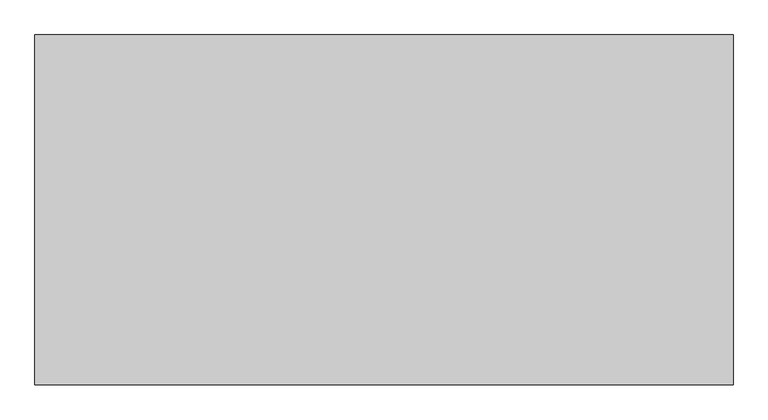
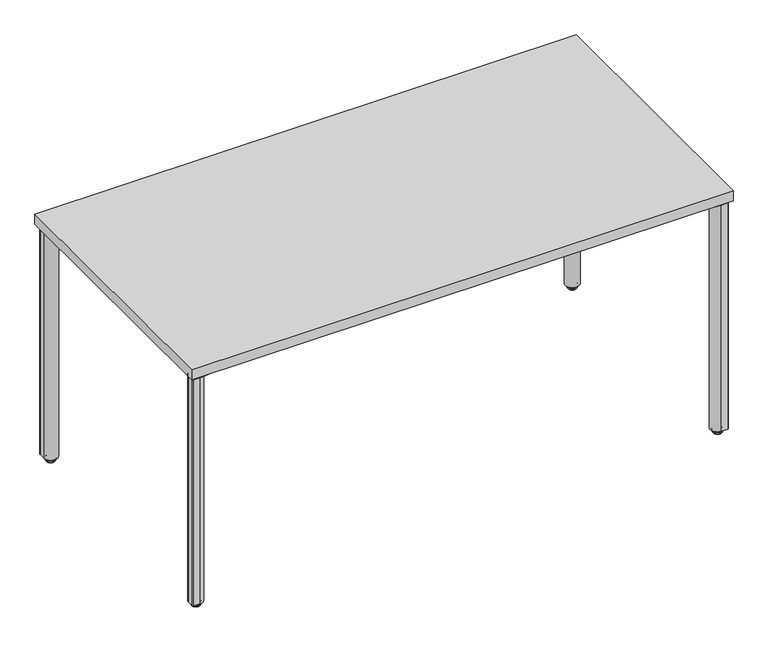
"""IFC4 building model written with IfcOpenShell, lengths in millimetres: furniture geometry."""

from ifc_helpers import new_model, si_unit, point, frame, frame_2d, origin, place, context, project, spatial, polyline, circle_curve, ellipse_curve, trimmed, segment, composite_curve, outline, extrude, source, transform, mapped, element, save
from ifc_brep_helpers import plane_surface, cylinder_surface, revolved_surface, advanced_brep


def furniture_ea995bb6(model_context):
    return source(origin(), model_context, "Body", "SolidModel", [
        extrude(outline(composite_curve([segment(polyline([(1491.9282419, -754.7591905), (1416.5488309, -748.1643464)]), True, "CONTINUOUS"), segment(trimmed(circle_curve(frame_2d((1418.7277263, -723.2594586)), 25.0000204), [point((1416.5488309, -748.1643464))], [point((1401.0500399, -740.9371401))], False, "CARTESIAN"), True, "CONTINUOUS"), segment(polyline([(1401.0500399, -740.9371401), (1385.0744349, -724.9615305)]), True, "CONTINUOUS"), segment(trimmed(circle_curve(frame_2d((1402.7520997, -707.2838707)), 24.9999898), [point((1385.0744349, -724.9615305))], [point((1377.8472426, -709.4627657))], False, "CARTESIAN"), True, "CONTINUOUS"), segment(polyline([(1377.8472426, -709.4627657), (1371.3313511, -634.9858634)]), True, "CONTINUOUS"), segment(trimmed(circle_curve(frame_2d((1393.8108747, -634.9858634)), 22.4795236), [point((1371.3313511, -634.9858634))], [point((1393.8108747, -612.5063398))], False, "CARTESIAN"), True, "CONTINUOUS"), segment(polyline([(1393.8108747, -612.5063398), (1468.2877788, -619.0222314)]), True, "CONTINUOUS"), segment(trimmed(circle_curve(frame_2d((1466.1088843, -643.9270836)), 24.9999849), [point((1468.2877788, -619.0222314))], [point((1483.7865419, -626.2494235))], False, "CARTESIAN"), True, "CONTINUOUS"), segment(polyline([(1483.7865419, -626.2494235), (1499.7621588, -642.2250381)]), True, "CONTINUOUS"), segment(trimmed(circle_curve(frame_2d((1482.0844922, -659.9027072)), 24.9999976), [point((1499.7621588, -642.2250381))], [point((1506.9893573, -657.723814))], False, "CARTESIAN"), True, "CONTINUOUS"), segment(polyline([(1506.9893573, -657.723814), (1513.5842007, -733.1032242), (1513.5842007, -751.7591908)]), True, "CONTINUOUS"), segment(trimmed(circle_curve(frame_2d((1510.584201, -751.7591908)), 2.9999997), [point((1513.5842007, -751.7591908))], [point((1510.584201, -754.7591905))], False, "CARTESIAN"), True, "CONTINUOUS"), segment(polyline([(1510.584201, -754.7591905), (1491.9282419, -754.7591905)]), True, "CONTINUOUS")], self_intersect=False)), frame((0.0, 0.0, 686.384201), z_axis=(0.0, 0.0, 1.0), x_axis=(1.0, 0.0, 0.0)), (0.0, 0.0, 1.0), 7.9248),
        advanced_brep(
        [(1492.8342, -730.0130981, 14.6833482), (1492.8342, -738.0053019, 14.6833482), (1492.8342, -734.0092, 14.6833482), (1492.8342, -730.0130981, 12.9644666), (1492.8342, -738.0053019, 12.9644666), (1492.8342, -722.048784, 11.5824174), (1492.8342, -745.969616, 11.5824174), (1492.8342, -721.5277894, 2.659626), (1492.8342, -746.4906106, 2.659626), (1492.8342, -748.2548023, 6.9187598), (1492.8342, -719.7635977, 6.9187598), (1492.8342, -734.0092, 0.0), (1492.8342, -742.6922711, 0.0), (1492.8342, -725.3261289, 0.0)],
        [
            (0, 1, circle_curve(frame((1492.8342, -734.0092, 14.6833482), z_axis=(0.0, 0.0, 1.0), x_axis=(0.0, -1.0, 0.0)), 3.9961019)),
            (1, 2),
            (2, 0),
            (1, 0, circle_curve(frame((1492.8342, -734.0092, 14.6833482), z_axis=(0.0, 0.0, 1.0), x_axis=(0.0, -1.0, 0.0)), 3.9961019)),
            (3, 4, circle_curve(frame((1492.8342, -734.0092, 12.9644666), z_axis=(0.0, 0.0, 1.0), x_axis=(0.0, -1.0, 0.0)), 3.9961019)),
            (4, 1),
            (0, 3),
            (4, 3, circle_curve(frame((1492.8342, -734.0092, 12.9644666), z_axis=(0.0, 0.0, 1.0), x_axis=(0.0, -1.0, 0.0)), 3.9961019)),
            (5, 6, circle_curve(frame((1492.8342, -734.0092, 11.5824174), z_axis=(0.0, 0.0, 1.0), x_axis=(0.0, -1.0, 0.0)), 11.960416)),
            (6, 4),
            (3, 5),
            (6, 5, circle_curve(frame((1492.8342, -734.0092, 11.5824174), z_axis=(0.0, 0.0, 1.0), x_axis=(0.0, -1.0, 0.0)), 11.960416)),
            (7, 8, circle_curve(frame((1492.8342, -734.0092, 2.659626), z_axis=(0.0, 0.0, 1.0), x_axis=(0.0, -1.0, 0.0)), 12.4814106)),
            (8, 9),
            (9, 10, circle_curve(frame((1492.8342, -734.0092, 6.9187598), z_axis=(0.0, 0.0, -1.0), x_axis=(0.0, -1.0, 0.0)), 14.2456023)),
            (10, 7),
            (8, 7, circle_curve(frame((1492.8342, -734.0092, 2.659626), z_axis=(0.0, 0.0, 1.0), x_axis=(0.0, -1.0, 0.0)), 12.4814106)),
            (10, 9, circle_curve(frame((1492.8342, -734.0092, 6.9187598), z_axis=(0.0, 0.0, -1.0), x_axis=(0.0, -1.0, 0.0)), 14.2456023)),
            (11, 12),
            (12, 13, circle_curve(frame((1492.8342, -734.0092, 0.0), z_axis=(0.0, 0.0, -1.0), x_axis=(0.0, -1.0, 0.0)), 8.6830711)),
            (13, 11),
            (13, 12, circle_curve(frame((1492.8342, -734.0092, 0.0), z_axis=(0.0, 0.0, -1.0), x_axis=(0.0, -1.0, 0.0)), 8.6830711)),
            (9, 6, circle_curve(frame((1492.8342, -745.056773, 8.2434275), z_axis=(-1.0, 0.0, 0.0), x_axis=(0.0, -1.0, 0.0)), 3.4615222)),
            (5, 10, circle_curve(frame((1492.8342, -722.961627, 8.2434275), z_axis=(-1.0, 0.0, 0.0), x_axis=(0.0, 1.0, 0.0)), 3.4615222)),
            (12, 8, circle_curve(frame((1492.8342, -742.5040518, 4.3109134), z_axis=(-1.0, 0.0, 0.0), x_axis=(0.0, -1.0, 0.0)), 4.3150204)),
            (7, 13, circle_curve(frame((1492.8342, -725.5143482, 4.3109134), z_axis=(-1.0, 0.0, 0.0), x_axis=(0.0, 1.0, 0.0)), 4.3150204)),
        ],
        [
            plane_surface(frame((1492.8342, -734.0092, 14.6833482), z_axis=(0.0, 0.0, 1.0), x_axis=(0.0, -1.0, 0.0))),
            cylinder_surface(frame((1492.8342, -734.0092, 2438.4), z_axis=(0.0, 0.0, -1.0), x_axis=(0.0, -1.0, 0.0)), 3.9961019),
            revolved_surface(polyline([(1492.8342, -738.0053019, 12.9644666), (1492.8342, -745.969616, 11.5824174)]), (1492.8342, -734.0092, 2438.4), (0.0, 0.0, -1.0)),
            revolved_surface(polyline([(1492.8342, -748.2548023, 6.9187598), (1492.8342, -746.4906106, 2.659626)]), (1492.8342, -734.0092, 2438.4), (0.0, 0.0, -1.0)),
            plane_surface(frame((1492.8342, -734.0092, 0.0), z_axis=(0.0, 0.0, -1.0), x_axis=(0.0, -1.0, 0.0))),
            revolved_surface(trimmed(ellipse_curve(frame((1492.8342, -745.056773, 8.2434275), z_axis=(1.0, 0.0, 0.0), x_axis=(0.0, -1.0, 0.0)), 3.4615222, 3.4615222), [point((1492.8342, -745.969616, 11.5824174))], [point((1492.8342, -748.2548023, 6.9187598))], True, "CARTESIAN"), (1492.8342, -734.0092, 2438.4), (0.0, 0.0, -1.0)),
            revolved_surface(trimmed(ellipse_curve(frame((1492.8342, -742.5040518, 4.3109134), z_axis=(1.0, 0.0, 0.0), x_axis=(0.0, -1.0, 0.0)), 4.3150204, 4.3150204), [point((1492.8342, -746.4906106, 2.659626))], [point((1492.8342, -742.6922711, 0.0))], True, "CARTESIAN"), (1492.8342, -734.0092, 2438.4), (0.0, 0.0, -1.0)),
        ],
        [
            (0, [[1, 2, 3]]),
            (0, [[4, -3, -2]]),
            (1, [[5, 6, -1, 7]]),
            (1, [[8, -7, -4, -6]]),
            (2, [[9, 10, -5, 11]]),
            (2, [[12, -11, -8, -10]]),
            (3, [[13, 14, 15, 16]]),
            (3, [[17, -16, 18, -14]]),
            (4, [[19, 20, 21]]),
            (4, [[-21, 22, -19]]),
            (5, [[-15, 23, -9, 24]]),
            (5, [[-18, -24, -12, -23]]),
            (6, [[-20, 25, -13, 26]]),
            (6, [[-22, -26, -17, -25]]),
        ],
    ),
        extrude(outline(composite_curve([segment(trimmed(circle_curve(frame_2d((1492.8389509, -734.0139401)), 19.9952502), [point((1492.8389509, -754.0091903))], [point((1512.8342011, -734.0139401))], False, "CARTESIAN"), True, "CONTINUOUS"), segment(polyline([(1512.8342011, -734.0139401), (1512.8342011, -751.0089752)]), True, "CONTINUOUS"), segment(trimmed(circle_curve(frame_2d((1509.833986, -751.0089752)), 3.000215), [point((1512.8342011, -751.0089752))], [point((1509.833986, -754.0091903))], False, "CARTESIAN"), True, "CONTINUOUS"), segment(polyline([(1509.833986, -754.0091903), (1492.8389509, -754.0091903)]), True, "CONTINUOUS")], self_intersect=False)), frame((0.0, 0.0, 14.6833482), z_axis=(0.0, 0.0, 1.0), x_axis=(1.0, 0.0, 0.0)), (0.0, 0.0, 1.0), 671.7008528),
        extrude(outline(composite_curve([segment(polyline([(28.8967581, -754.7591905), (10.240799, -754.7591905)]), True, "CONTINUOUS"), segment(trimmed(circle_curve(frame_2d((10.240799, -751.7591908)), 2.9999997), [point((10.240799, -754.7591905))], [point((7.2407993, -751.7591908))], False, "CARTESIAN"), True, "CONTINUOUS"), segment(polyline([(7.2407993, -751.7591908), (7.2407993, -733.1032242), (13.8356427, -657.723814)]), True, "CONTINUOUS"), segment(trimmed(circle_curve(frame_2d((38.7405078, -659.9027072)), 24.9999976), [point((13.8356427, -657.723814))], [point((21.0628412, -642.2250381))], False, "CARTESIAN"), True, "CONTINUOUS"), segment(polyline([(21.0628412, -642.2250381), (37.0384581, -626.2494235)]), True, "CONTINUOUS"), segment(trimmed(circle_curve(frame_2d((54.7161157, -643.9270836)), 24.9999849), [point((37.0384581, -626.2494235))], [point((52.5372212, -619.0222314))], False, "CARTESIAN"), True, "CONTINUOUS"), segment(polyline([(52.5372212, -619.0222314), (127.0141253, -612.5063398)]), True, "CONTINUOUS"), segment(trimmed(circle_curve(frame_2d((127.0141253, -634.9858634)), 22.4795236), [point((127.0141253, -612.5063398))], [point((149.4936489, -634.9858634))], False, "CARTESIAN"), True, "CONTINUOUS"), segment(polyline([(149.4936489, -634.9858634), (142.9777574, -709.4627657)]), True, "CONTINUOUS"), segment(trimmed(circle_curve(frame_2d((118.0729003, -707.2838707)), 24.9999898), [point((142.9777574, -709.4627657))], [point((135.7505651, -724.9615305))], False, "CARTESIAN"), True, "CONTINUOUS"), segment(polyline([(135.7505651, -724.9615305), (119.7749601, -740.9371401)]), True, "CONTINUOUS"), segment(trimmed(circle_curve(frame_2d((102.0972737, -723.2594586)), 25.0000204), [point((119.7749601, -740.9371401))], [point((104.2761691, -748.1643464))], False, "CARTESIAN"), True, "CONTINUOUS"), segment(polyline([(104.2761691, -748.1643464), (28.8967581, -754.7591905)]), True, "CONTINUOUS")], self_intersect=False)), frame((0.0, 0.0, 686.384201), z_axis=(0.0, 0.0, 1.0), x_axis=(1.0, 0.0, 0.0)), (0.0, 0.0, 1.0), 7.9248),
        advanced_brep(
        [(27.9908, -730.0130981, 14.6833482), (27.9908, -734.0092, 14.6833482), (27.9908, -738.0053019, 14.6833482), (27.9908, -730.0130981, 12.9644666), (27.9908, -738.0053019, 12.9644666), (27.9908, -722.048784, 11.5824174), (27.9908, -745.969616, 11.5824174), (27.9908, -721.5277894, 2.659626), (27.9908, -719.7635977, 6.9187598), (27.9908, -748.2548023, 6.9187598), (27.9908, -746.4906106, 2.659626), (27.9908, -734.0092, 0.0), (27.9908, -725.3261289, 0.0), (27.9908, -742.6922711, 0.0)],
        [
            (0, 1),
            (1, 2),
            (2, 0, circle_curve(frame((27.9908, -734.0092, 14.6833482), z_axis=(0.0, 0.0, 1.0), x_axis=(0.0, -1.0, 0.0)), 3.9961019)),
            (0, 2, circle_curve(frame((27.9908, -734.0092, 14.6833482), z_axis=(0.0, 0.0, 1.0), x_axis=(0.0, -1.0, 0.0)), 3.9961019)),
            (3, 0),
            (2, 4),
            (4, 3, circle_curve(frame((27.9908, -734.0092, 12.9644666), z_axis=(0.0, 0.0, 1.0), x_axis=(0.0, -1.0, 0.0)), 3.9961019)),
            (3, 4, circle_curve(frame((27.9908, -734.0092, 12.9644666), z_axis=(0.0, 0.0, 1.0), x_axis=(0.0, -1.0, 0.0)), 3.9961019)),
            (5, 3),
            (4, 6),
            (6, 5, circle_curve(frame((27.9908, -734.0092, 11.5824174), z_axis=(0.0, 0.0, 1.0), x_axis=(0.0, -1.0, 0.0)), 11.960416)),
            (5, 6, circle_curve(frame((27.9908, -734.0092, 11.5824174), z_axis=(0.0, 0.0, 1.0), x_axis=(0.0, -1.0, 0.0)), 11.960416)),
            (7, 8),
            (8, 9, circle_curve(frame((27.9908, -734.0092, 6.9187598), z_axis=(0.0, 0.0, -1.0), x_axis=(0.0, -1.0, 0.0)), 14.2456023)),
            (9, 10),
            (10, 7, circle_curve(frame((27.9908, -734.0092, 2.659626), z_axis=(0.0, 0.0, 1.0), x_axis=(0.0, -1.0, 0.0)), 12.4814106)),
            (9, 8, circle_curve(frame((27.9908, -734.0092, 6.9187598), z_axis=(0.0, 0.0, -1.0), x_axis=(0.0, -1.0, 0.0)), 14.2456023)),
            (7, 10, circle_curve(frame((27.9908, -734.0092, 2.659626), z_axis=(0.0, 0.0, 1.0), x_axis=(0.0, -1.0, 0.0)), 12.4814106)),
            (11, 12),
            (12, 13, circle_curve(frame((27.9908, -734.0092, 0.0), z_axis=(0.0, 0.0, -1.0), x_axis=(0.0, -1.0, 0.0)), 8.6830711)),
            (13, 11),
            (13, 12, circle_curve(frame((27.9908, -734.0092, 0.0), z_axis=(0.0, 0.0, -1.0), x_axis=(0.0, -1.0, 0.0)), 8.6830711)),
            (8, 5, circle_curve(frame((27.9908, -722.961627, 8.2434275), z_axis=(1.0, 0.0, 0.0), x_axis=(0.0, 1.0, 0.0)), 3.4615222)),
            (6, 9, circle_curve(frame((27.9908, -745.056773, 8.2434275), z_axis=(1.0, 0.0, 0.0), x_axis=(0.0, -1.0, 0.0)), 3.4615222)),
            (12, 7, circle_curve(frame((27.9908, -725.5143482, 4.3109134), z_axis=(1.0, 0.0, 0.0), x_axis=(0.0, 1.0, 0.0)), 4.3150204)),
            (10, 13, circle_curve(frame((27.9908, -742.5040518, 4.3109134), z_axis=(1.0, 0.0, 0.0), x_axis=(0.0, -1.0, 0.0)), 4.3150204)),
        ],
        [
            plane_surface(frame((27.9908, -734.0092, 14.6833482), z_axis=(0.0, 0.0, 1.0), x_axis=(0.0, -1.0, 0.0))),
            cylinder_surface(frame((27.9908, -734.0092, 2438.4), z_axis=(0.0, 0.0, -1.0), x_axis=(0.0, -1.0, 0.0)), 3.9961019),
            revolved_surface(polyline([(27.9908, -738.0053019, 12.9644666), (27.9908, -745.969616, 11.5824174)]), (27.9908, -734.0092, 2438.4), (0.0, 0.0, -1.0)),
            revolved_surface(polyline([(27.9908, -748.2548023, 6.9187598), (27.9908, -746.4906106, 2.659626)]), (27.9908, -734.0092, 2438.4), (0.0, 0.0, -1.0)),
            plane_surface(frame((27.9908, -734.0092, 0.0), z_axis=(0.0, 0.0, -1.0), x_axis=(0.0, -1.0, 0.0))),
            revolved_surface(trimmed(ellipse_curve(frame((27.9908, -745.056773, 8.2434275), z_axis=(1.0, 0.0, 0.0), x_axis=(0.0, -1.0, 0.0)), 3.4615222, 3.4615222), [point((27.9908, -745.969616, 11.5824174))], [point((27.9908, -748.2548023, 6.9187598))], True, "CARTESIAN"), (27.9908, -734.0092, 2438.4), (0.0, 0.0, -1.0)),
            revolved_surface(trimmed(ellipse_curve(frame((27.9908, -742.5040518, 4.3109134), z_axis=(1.0, 0.0, 0.0), x_axis=(0.0, -1.0, 0.0)), 4.3150204, 4.3150204), [point((27.9908, -746.4906106, 2.659626))], [point((27.9908, -742.6922711, 0.0))], True, "CARTESIAN"), (27.9908, -734.0092, 2438.4), (0.0, 0.0, -1.0)),
        ],
        [
            (0, [[1, 2, 3]]),
            (0, [[-2, -1, 4]]),
            (1, [[5, -3, 6, 7]]),
            (1, [[-6, -4, -5, 8]]),
            (2, [[9, -7, 10, 11]]),
            (2, [[-10, -8, -9, 12]]),
            (3, [[13, 14, 15, 16]]),
            (3, [[-15, 17, -13, 18]]),
            (4, [[19, 20, 21]]),
            (4, [[-21, 22, -19]]),
            (5, [[23, -11, 24, -14]]),
            (5, [[-24, -12, -23, -17]]),
            (6, [[25, -16, 26, -20]]),
            (6, [[-26, -18, -25, -22]]),
        ],
    ),
        extrude(outline(composite_curve([segment(polyline([(27.9860491, -754.0091903), (10.991014, -754.0091903)]), True, "CONTINUOUS"), segment(trimmed(circle_curve(frame_2d((10.991014, -751.0089752)), 3.000215), [point((10.991014, -754.0091903))], [point((7.9907989, -751.0089752))], False, "CARTESIAN"), True, "CONTINUOUS"), segment(polyline([(7.9907989, -751.0089752), (7.9907989, -734.0139401)]), True, "CONTINUOUS"), segment(trimmed(circle_curve(frame_2d((27.9860491, -734.0139401)), 19.9952502), [point((7.9907989, -734.0139401))], [point((27.9860491, -754.0091903))], False, "CARTESIAN"), True, "CONTINUOUS")], self_intersect=False)), frame((0.0, 0.0, 14.6833482), z_axis=(0.0, 0.0, 1.0), x_axis=(1.0, 0.0, 0.0)), (0.0, 0.0, 1.0), 671.7008528),
        extrude(outline(composite_curve([segment(polyline([(1491.9282419, -7.2408095), (1510.584201, -7.2408095)]), True, "CONTINUOUS"), segment(trimmed(circle_curve(frame_2d((1510.584201, -10.2408092)), 2.9999997), [point((1510.584201, -7.2408095))], [point((1513.5842007, -10.2408092))], False, "CARTESIAN"), True, "CONTINUOUS"), segment(polyline([(1513.5842007, -10.2408092), (1513.5842007, -28.8967758), (1506.9893573, -104.276186)]), True, "CONTINUOUS"), segment(trimmed(circle_curve(frame_2d((1482.0844922, -102.0972928)), 24.9999976), [point((1506.9893573, -104.276186))], [point((1499.7621588, -119.7749619))], False, "CARTESIAN"), True, "CONTINUOUS"), segment(polyline([(1499.7621588, -119.7749619), (1483.7865419, -135.7505765)]), True, "CONTINUOUS"), segment(trimmed(circle_curve(frame_2d((1466.1088843, -118.0729164)), 24.9999849), [point((1483.7865419, -135.7505765))], [point((1468.2877788, -142.9777686))], False, "CARTESIAN"), True, "CONTINUOUS"), segment(polyline([(1468.2877788, -142.9777686), (1393.8108747, -149.4936602)]), True, "CONTINUOUS"), segment(trimmed(circle_curve(frame_2d((1393.8108747, -127.0141366)), 22.4795236), [point((1393.8108747, -149.4936602))], [point((1371.3313511, -127.0141366))], False, "CARTESIAN"), True, "CONTINUOUS"), segment(polyline([(1371.3313511, -127.0141366), (1377.8472426, -52.5372343)]), True, "CONTINUOUS"), segment(trimmed(circle_curve(frame_2d((1402.7520997, -54.7161293)), 24.9999898), [point((1377.8472426, -52.5372343))], [point((1385.0744349, -37.0384695))], False, "CARTESIAN"), True, "CONTINUOUS"), segment(polyline([(1385.0744349, -37.0384695), (1401.0500399, -21.0628599)]), True, "CONTINUOUS"), segment(trimmed(circle_curve(frame_2d((1418.7277263, -38.7405414)), 25.0000204), [point((1401.0500399, -21.0628599))], [point((1416.5488309, -13.8356536))], False, "CARTESIAN"), True, "CONTINUOUS"), segment(polyline([(1416.5488309, -13.8356536), (1491.9282419, -7.2408095)]), True, "CONTINUOUS")], self_intersect=False)), frame((0.0, 0.0, 686.384201), z_axis=(0.0, 0.0, 1.0), x_axis=(1.0, 0.0, 0.0)), (0.0, 0.0, 1.0), 7.9248),
        advanced_brep(
        [(1492.8342, -31.9869019, 14.6833482), (1492.8342, -27.9908, 14.6833482), (1492.8342, -23.9946981, 14.6833482), (1492.8342, -31.9869019, 12.9644666), (1492.8342, -23.9946981, 12.9644666), (1492.8342, -39.951216, 11.5824174), (1492.8342, -16.030384, 11.5824174), (1492.8342, -40.4722106, 2.659626), (1492.8342, -42.2364023, 6.9187598), (1492.8342, -13.7451977, 6.9187598), (1492.8342, -15.5093894, 2.659626), (1492.8342, -27.9908, 0.0), (1492.8342, -36.6738711, 0.0), (1492.8342, -19.3077289, 0.0)],
        [
            (0, 1),
            (1, 2),
            (2, 0, circle_curve(frame((1492.8342, -27.9908, 14.6833482), z_axis=(0.0, 0.0, 1.0), x_axis=(0.0, 1.0, 0.0)), 3.9961019)),
            (0, 2, circle_curve(frame((1492.8342, -27.9908, 14.6833482), z_axis=(0.0, 0.0, 1.0), x_axis=(0.0, 1.0, 0.0)), 3.9961019)),
            (3, 0),
            (2, 4),
            (4, 3, circle_curve(frame((1492.8342, -27.9908, 12.9644666), z_axis=(0.0, 0.0, 1.0), x_axis=(0.0, 1.0, 0.0)), 3.9961019)),
            (3, 4, circle_curve(frame((1492.8342, -27.9908, 12.9644666), z_axis=(0.0, 0.0, 1.0), x_axis=(0.0, 1.0, 0.0)), 3.9961019)),
            (5, 3),
            (4, 6),
            (6, 5, circle_curve(frame((1492.8342, -27.9908, 11.5824174), z_axis=(0.0, 0.0, 1.0), x_axis=(0.0, 1.0, 0.0)), 11.960416)),
            (5, 6, circle_curve(frame((1492.8342, -27.9908, 11.5824174), z_axis=(0.0, 0.0, 1.0), x_axis=(0.0, 1.0, 0.0)), 11.960416)),
            (7, 8),
            (8, 9, circle_curve(frame((1492.8342, -27.9908, 6.9187598), z_axis=(0.0, 0.0, -1.0), x_axis=(0.0, 1.0, 0.0)), 14.2456023)),
            (9, 10),
            (10, 7, circle_curve(frame((1492.8342, -27.9908, 2.659626), z_axis=(0.0, 0.0, 1.0), x_axis=(0.0, 1.0, 0.0)), 12.4814106)),
            (9, 8, circle_curve(frame((1492.8342, -27.9908, 6.9187598), z_axis=(0.0, 0.0, -1.0), x_axis=(0.0, 1.0, 0.0)), 14.2456023)),
            (7, 10, circle_curve(frame((1492.8342, -27.9908, 2.659626), z_axis=(0.0, 0.0, 1.0), x_axis=(0.0, 1.0, 0.0)), 12.4814106)),
            (11, 12),
            (12, 13, circle_curve(frame((1492.8342, -27.9908, 0.0), z_axis=(0.0, 0.0, -1.0), x_axis=(0.0, 1.0, 0.0)), 8.6830711)),
            (13, 11),
            (13, 12, circle_curve(frame((1492.8342, -27.9908, 0.0), z_axis=(0.0, 0.0, -1.0), x_axis=(0.0, 1.0, 0.0)), 8.6830711)),
            (8, 5, circle_curve(frame((1492.8342, -39.038373, 8.2434275), z_axis=(-1.0, 0.0, 0.0), x_axis=(0.0, -1.0, 0.0)), 3.4615222)),
            (6, 9, circle_curve(frame((1492.8342, -16.943227, 8.2434275), z_axis=(-1.0, 0.0, 0.0), x_axis=(0.0, 1.0, 0.0)), 3.4615222)),
            (12, 7, circle_curve(frame((1492.8342, -36.4856518, 4.3109134), z_axis=(-1.0, 0.0, 0.0), x_axis=(0.0, -1.0, 0.0)), 4.3150204)),
            (10, 13, circle_curve(frame((1492.8342, -19.4959482, 4.3109134), z_axis=(-1.0, 0.0, 0.0), x_axis=(0.0, 1.0, 0.0)), 4.3150204)),
        ],
        [
            plane_surface(frame((1492.8342, -27.9908, 14.6833482), z_axis=(0.0, 0.0, 1.0), x_axis=(0.0, 1.0, 0.0))),
            cylinder_surface(frame((1492.8342, -27.9908, 2438.4), z_axis=(0.0, 0.0, -1.0), x_axis=(0.0, 1.0, 0.0)), 3.9961019),
            revolved_surface(polyline([(1492.8342, -23.9946981, 12.9644666), (1492.8342, -16.030384, 11.5824174)]), (1492.8342, -27.9908, 2438.4), (0.0, 0.0, -1.0)),
            revolved_surface(polyline([(1492.8342, -13.7451977, 6.9187598), (1492.8342, -15.5093894, 2.659626)]), (1492.8342, -27.9908, 2438.4), (0.0, 0.0, -1.0)),
            plane_surface(frame((1492.8342, -27.9908, 0.0), z_axis=(0.0, 0.0, -1.0), x_axis=(0.0, 1.0, 0.0))),
            revolved_surface(trimmed(ellipse_curve(frame((1492.8342, -16.943227, 8.2434275), z_axis=(-1.0, 0.0, 0.0), x_axis=(0.0, 1.0, 0.0)), 3.4615222, 3.4615222), [point((1492.8342, -16.030384, 11.5824174))], [point((1492.8342, -13.7451977, 6.9187598))], True, "CARTESIAN"), (1492.8342, -27.9908, 2438.4), (0.0, 0.0, -1.0)),
            revolved_surface(trimmed(ellipse_curve(frame((1492.8342, -19.4959482, 4.3109134), z_axis=(-1.0, 0.0, 0.0), x_axis=(0.0, 1.0, 0.0)), 4.3150204, 4.3150204), [point((1492.8342, -15.5093894, 2.659626))], [point((1492.8342, -19.3077289, 0.0))], True, "CARTESIAN"), (1492.8342, -27.9908, 2438.4), (0.0, 0.0, -1.0)),
        ],
        [
            (0, [[1, 2, 3]]),
            (0, [[-2, -1, 4]]),
            (1, [[5, -3, 6, 7]]),
            (1, [[-6, -4, -5, 8]]),
            (2, [[9, -7, 10, 11]]),
            (2, [[-10, -8, -9, 12]]),
            (3, [[13, 14, 15, 16]]),
            (3, [[-15, 17, -13, 18]]),
            (4, [[19, 20, 21]]),
            (4, [[-21, 22, -19]]),
            (5, [[23, -11, 24, -14]]),
            (5, [[-24, -12, -23, -17]]),
            (6, [[25, -16, 26, -20]]),
            (6, [[-26, -18, -25, -22]]),
        ],
    ),
        extrude(outline(composite_curve([segment(polyline([(1492.8389509, -7.9908097), (1509.833986, -7.9908097)]), True, "CONTINUOUS"), segment(trimmed(circle_curve(frame_2d((1509.833986, -10.9910248)), 3.000215), [point((1509.833986, -7.9908097))], [point((1512.8342011, -10.9910248))], False, "CARTESIAN"), True, "CONTINUOUS"), segment(polyline([(1512.8342011, -10.9910248), (1512.8342011, -27.9860599)]), True, "CONTINUOUS"), segment(trimmed(circle_curve(frame_2d((1492.8389509, -27.9860599)), 19.9952502), [point((1512.8342011, -27.9860599))], [point((1492.8389509, -7.9908097))], False, "CARTESIAN"), True, "CONTINUOUS")], self_intersect=False)), frame((0.0, 0.0, 14.6833482), z_axis=(0.0, 0.0, 1.0), x_axis=(1.0, 0.0, 0.0)), (0.0, 0.0, 1.0), 671.7008528),
        extrude(outline(composite_curve([segment(polyline([(28.8967581, -7.2408095), (104.2761691, -13.8356536)]), True, "CONTINUOUS"), segment(trimmed(circle_curve(frame_2d((102.0972737, -38.7405414)), 25.0000204), [point((104.2761691, -13.8356536))], [point((119.7749601, -21.0628599))], False, "CARTESIAN"), True, "CONTINUOUS"), segment(polyline([(119.7749601, -21.0628599), (135.7505651, -37.0384695)]), True, "CONTINUOUS"), segment(trimmed(circle_curve(frame_2d((118.0729003, -54.7161293)), 24.9999898), [point((135.7505651, -37.0384695))], [point((142.9777574, -52.5372343))], False, "CARTESIAN"), True, "CONTINUOUS"), segment(polyline([(142.9777574, -52.5372343), (149.4936489, -127.0141366)]), True, "CONTINUOUS"), segment(trimmed(circle_curve(frame_2d((127.0141253, -127.0141366)), 22.4795236), [point((149.4936489, -127.0141366))], [point((127.0141253, -149.4936602))], False, "CARTESIAN"), True, "CONTINUOUS"), segment(polyline([(127.0141253, -149.4936602), (52.5372212, -142.9777686)]), True, "CONTINUOUS"), segment(trimmed(circle_curve(frame_2d((54.7161157, -118.0729164)), 24.9999849), [point((52.5372212, -142.9777686))], [point((37.0384581, -135.7505765))], False, "CARTESIAN"), True, "CONTINUOUS"), segment(polyline([(37.0384581, -135.7505765), (21.0628412, -119.7749619)]), True, "CONTINUOUS"), segment(trimmed(circle_curve(frame_2d((38.7405078, -102.0972928)), 24.9999976), [point((21.0628412, -119.7749619))], [point((13.8356427, -104.276186))], False, "CARTESIAN"), True, "CONTINUOUS"), segment(polyline([(13.8356427, -104.276186), (7.2407993, -28.8967758), (7.2407993, -10.2408092)]), True, "CONTINUOUS"), segment(trimmed(circle_curve(frame_2d((10.240799, -10.2408092)), 2.9999997), [point((7.2407993, -10.2408092))], [point((10.240799, -7.2408095))], False, "CARTESIAN"), True, "CONTINUOUS"), segment(polyline([(10.240799, -7.2408095), (28.8967581, -7.2408095)]), True, "CONTINUOUS")], self_intersect=False)), frame((0.0, 0.0, 686.384201), z_axis=(0.0, 0.0, 1.0), x_axis=(1.0, 0.0, 0.0)), (0.0, 0.0, 1.0), 7.9248),
        advanced_brep(
        [(27.9908, -31.9869019, 14.6833482), (27.9908, -23.9946981, 14.6833482), (27.9908, -27.9908, 14.6833482), (27.9908, -31.9869019, 12.9644666), (27.9908, -23.9946981, 12.9644666), (27.9908, -39.951216, 11.5824174), (27.9908, -16.030384, 11.5824174), (27.9908, -40.4722106, 2.659626), (27.9908, -15.5093894, 2.659626), (27.9908, -13.7451977, 6.9187598), (27.9908, -42.2364023, 6.9187598), (27.9908, -27.9908, 0.0), (27.9908, -19.3077289, 0.0), (27.9908, -36.6738711, 0.0)],
        [
            (0, 1, circle_curve(frame((27.9908, -27.9908, 14.6833482), z_axis=(0.0, 0.0, 1.0), x_axis=(0.0, 1.0, 0.0)), 3.9961019)),
            (1, 2),
            (2, 0),
            (1, 0, circle_curve(frame((27.9908, -27.9908, 14.6833482), z_axis=(0.0, 0.0, 1.0), x_axis=(0.0, 1.0, 0.0)), 3.9961019)),
            (3, 4, circle_curve(frame((27.9908, -27.9908, 12.9644666), z_axis=(0.0, 0.0, 1.0), x_axis=(0.0, 1.0, 0.0)), 3.9961019)),
            (4, 1),
            (0, 3),
            (4, 3, circle_curve(frame((27.9908, -27.9908, 12.9644666), z_axis=(0.0, 0.0, 1.0), x_axis=(0.0, 1.0, 0.0)), 3.9961019)),
            (5, 6, circle_curve(frame((27.9908, -27.9908, 11.5824174), z_axis=(0.0, 0.0, 1.0), x_axis=(0.0, 1.0, 0.0)), 11.960416)),
            (6, 4),
            (3, 5),
            (6, 5, circle_curve(frame((27.9908, -27.9908, 11.5824174), z_axis=(0.0, 0.0, 1.0), x_axis=(0.0, 1.0, 0.0)), 11.960416)),
            (7, 8, circle_curve(frame((27.9908, -27.9908, 2.659626), z_axis=(0.0, 0.0, 1.0), x_axis=(0.0, 1.0, 0.0)), 12.4814106)),
            (8, 9),
            (9, 10, circle_curve(frame((27.9908, -27.9908, 6.9187598), z_axis=(0.0, 0.0, -1.0), x_axis=(0.0, 1.0, 0.0)), 14.2456023)),
            (10, 7),
            (8, 7, circle_curve(frame((27.9908, -27.9908, 2.659626), z_axis=(0.0, 0.0, 1.0), x_axis=(0.0, 1.0, 0.0)), 12.4814106)),
            (10, 9, circle_curve(frame((27.9908, -27.9908, 6.9187598), z_axis=(0.0, 0.0, -1.0), x_axis=(0.0, 1.0, 0.0)), 14.2456023)),
            (11, 12),
            (12, 13, circle_curve(frame((27.9908, -27.9908, 0.0), z_axis=(0.0, 0.0, -1.0), x_axis=(0.0, 1.0, 0.0)), 8.6830711)),
            (13, 11),
            (13, 12, circle_curve(frame((27.9908, -27.9908, 0.0), z_axis=(0.0, 0.0, -1.0), x_axis=(0.0, 1.0, 0.0)), 8.6830711)),
            (9, 6, circle_curve(frame((27.9908, -16.943227, 8.2434275), z_axis=(1.0, 0.0, 0.0), x_axis=(0.0, 1.0, 0.0)), 3.4615222)),
            (5, 10, circle_curve(frame((27.9908, -39.038373, 8.2434275), z_axis=(1.0, 0.0, 0.0), x_axis=(0.0, -1.0, 0.0)), 3.4615222)),
            (12, 8, circle_curve(frame((27.9908, -19.4959482, 4.3109134), z_axis=(1.0, 0.0, 0.0), x_axis=(0.0, 1.0, 0.0)), 4.3150204)),
            (7, 13, circle_curve(frame((27.9908, -36.4856518, 4.3109134), z_axis=(1.0, 0.0, 0.0), x_axis=(0.0, -1.0, 0.0)), 4.3150204)),
        ],
        [
            plane_surface(frame((27.9908, -27.9908, 14.6833482), z_axis=(0.0, 0.0, 1.0), x_axis=(0.0, 1.0, 0.0))),
            cylinder_surface(frame((27.9908, -27.9908, 2438.4), z_axis=(0.0, 0.0, -1.0), x_axis=(0.0, 1.0, 0.0)), 3.9961019),
            revolved_surface(polyline([(27.9908, -23.9946981, 12.9644666), (27.9908, -16.030384, 11.5824174)]), (27.9908, -27.9908, 2438.4), (0.0, 0.0, -1.0)),
            revolved_surface(polyline([(27.9908, -13.7451977, 6.9187598), (27.9908, -15.5093894, 2.659626)]), (27.9908, -27.9908, 2438.4), (0.0, 0.0, -1.0)),
            plane_surface(frame((27.9908, -27.9908, 0.0), z_axis=(0.0, 0.0, -1.0), x_axis=(0.0, 1.0, 0.0))),
            revolved_surface(trimmed(ellipse_curve(frame((27.9908, -16.943227, 8.2434275), z_axis=(-1.0, 0.0, 0.0), x_axis=(0.0, 1.0, 0.0)), 3.4615222, 3.4615222), [point((27.9908, -16.030384, 11.5824174))], [point((27.9908, -13.7451977, 6.9187598))], True, "CARTESIAN"), (27.9908, -27.9908, 2438.4), (0.0, 0.0, -1.0)),
            revolved_surface(trimmed(ellipse_curve(frame((27.9908, -19.4959482, 4.3109134), z_axis=(-1.0, 0.0, 0.0), x_axis=(0.0, 1.0, 0.0)), 4.3150204, 4.3150204), [point((27.9908, -15.5093894, 2.659626))], [point((27.9908, -19.3077289, 0.0))], True, "CARTESIAN"), (27.9908, -27.9908, 2438.4), (0.0, 0.0, -1.0)),
        ],
        [
            (0, [[1, 2, 3]]),
            (0, [[4, -3, -2]]),
            (1, [[5, 6, -1, 7]]),
            (1, [[8, -7, -4, -6]]),
            (2, [[9, 10, -5, 11]]),
            (2, [[12, -11, -8, -10]]),
            (3, [[13, 14, 15, 16]]),
            (3, [[17, -16, 18, -14]]),
            (4, [[19, 20, 21]]),
            (4, [[-21, 22, -19]]),
            (5, [[-15, 23, -9, 24]]),
            (5, [[-18, -24, -12, -23]]),
            (6, [[-20, 25, -13, 26]]),
            (6, [[-22, -26, -17, -25]]),
        ],
    ),
        extrude(outline(composite_curve([segment(trimmed(circle_curve(frame_2d((27.9860491, -27.9860599)), 19.9952502), [point((27.9860491, -7.9908097))], [point((7.9907989, -27.9860599))], False, "CARTESIAN"), True, "CONTINUOUS"), segment(polyline([(7.9907989, -27.9860599), (7.9907989, -10.9910248)]), True, "CONTINUOUS"), segment(trimmed(circle_curve(frame_2d((10.991014, -10.9910248)), 3.000215), [point((7.9907989, -10.9910248))], [point((10.991014, -7.9908097))], False, "CARTESIAN"), True, "CONTINUOUS"), segment(polyline([(10.991014, -7.9908097), (27.9860491, -7.9908097)]), True, "CONTINUOUS")], self_intersect=False)), frame((0.0, 0.0, 14.6833482), z_axis=(0.0, 0.0, 1.0), x_axis=(1.0, 0.0, 0.0)), (0.0, 0.0, 1.0), 671.7008528),
        extrude(outline(polyline([(0.0, 0.0), (1520.825, 0.0), (1520.825, -762.0), (0.0, -762.0), (0.0, 0.0)])), frame((0.0, 0.0, 694.309), z_axis=(0.0, 0.0, 1.0), x_axis=(1.0, 0.0, 0.0)), (0.0, 0.0, 1.0), 29.591),
        extrude(outline(composite_curve([segment(polyline([(-362.742548, 694.309), (-346.837, 694.309), (-346.837, 693.0949036), (-361.7174874, 693.0949036), (-366.3595601, 666.5990644)]), True, "CONTINUOUS"), segment(trimmed(circle_curve(frame_2d((-372.614308, 667.6948967)), 6.3500173), [point((-366.3595601, 666.5990644))], [point((-372.614308, 661.3448793))], False, "CARTESIAN"), True, "CONTINUOUS"), segment(polyline([(-372.614308, 661.3448793), (-389.385692, 661.3448793)]), True, "CONTINUOUS"), segment(trimmed(circle_curve(frame_2d((-389.385692, 667.6948967)), 6.3500173), [point((-389.385692, 661.3448793))], [point((-395.6404399, 666.5990644))], False, "CARTESIAN"), True, "CONTINUOUS"), segment(polyline([(-395.6404399, 666.5990644), (-400.2825126, 693.0949036), (-415.163, 693.0949036), (-415.163, 694.309), (-399.257452, 694.309), (-394.4395316, 666.8094637)]), True, "CONTINUOUS"), segment(trimmed(circle_curve(frame_2d((-389.385692, 667.6948967)), 5.1308173), [point((-394.4395316, 666.8094637))], [point((-389.385692, 662.5640793))], True, "CARTESIAN"), True, "CONTINUOUS"), segment(polyline([(-389.385692, 662.5640793), (-372.614308, 662.5640793)]), True, "CONTINUOUS"), segment(trimmed(circle_curve(frame_2d((-372.614308, 667.6948967)), 5.1308173), [point((-372.614308, 662.5640793))], [point((-367.5604684, 666.8094637))], True, "CARTESIAN"), True, "CONTINUOUS"), segment(polyline([(-367.5604684, 666.8094637), (-362.742548, 694.309)]), True, "CONTINUOUS")], self_intersect=False)), frame((210.5152, 0.0, 0.0), z_axis=(1.0, 0.0, 0.0), x_axis=(0.0, 1.0, 0.0)), (0.0, 0.0, 1.0), 1099.7946),
    ])


if __name__ == "__main__":
    model = new_model("IFC4")
    model_context = context("Model", 3, world=origin())
    ifc_project = project(units=[si_unit("LENGTHUNIT", "METRE", prefix="MILLI")], contexts=[model_context])
    site = spatial("IfcSite", under=ifc_project)
    building = spatial("IfcBuilding", under=site)
    placement = place(None, origin())
    furniture_shape = furniture_ea995bb6(model_context)
    element("IfcFurniture", 1, at=placement, inside=building, context=model_context, shape_type="MappedRepresentation", body=[
        mapped(furniture_shape, transform((0.0, 0.0, 0.0), x_axis=(1.0, 0.0, 0.0), y_axis=(0.0, 1.0, 0.0), z_axis=(0.0, 0.0, 1.0))),
    ])
    save(model, "model.ifc")
